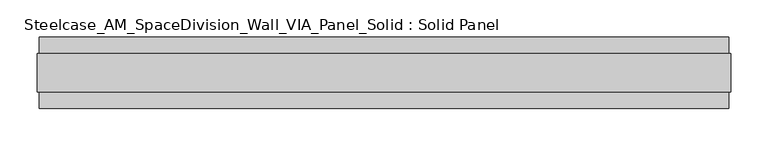
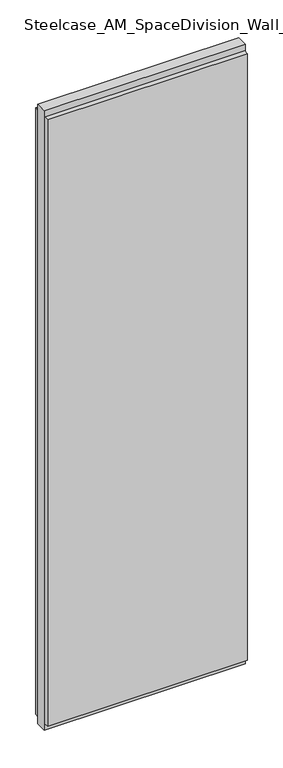
"""IFC4 building model written with IfcOpenShell, lengths in millimetres: plate geometry, Steelcase_AM_SpaceDivision_Wall_VIA_Panel_Solid : Solid Panel."""

from ifc_helpers import new_model, si_unit, frame, origin, origin_with_axes, place, context, project, spatial, polyline, outline, extrude, source, transform, mapped, element, save


def steelcase_am_spacedivision_wall_via_panel_solid_solid_panel_2c84acb8(model_context):
    return source(origin(), model_context, "Body", "SweptSolid", [
        extrude(outline(polyline([(464.9045897, -48.4531867), (-464.9045897, -48.4531867), (-464.9045897, -25.9961), (464.9045897, -25.9961), (464.9045897, -48.4531867)])), frame((0.0, 0.0, 32.004), z_axis=(0.0, 0.0, 1.0), x_axis=(1.0, 0.0, 0.0)), (0.0, 0.0, 1.0), 2983.992),
        extrude(outline(polyline([(464.9045897, 25.9977), (-464.9045897, 25.9977), (-464.9045897, 48.4547867), (464.9045897, 48.4547867), (464.9045897, 25.9977)])), frame((0.0, 0.0, 32.004), z_axis=(0.0, 0.0, 1.0), x_axis=(1.0, 0.0, 0.0)), (0.0, 0.0, 1.0), 2983.992),
        extrude(outline(polyline([(467.9017897, -25.9961), (-467.9017897, -25.9961), (-467.9017897, 25.9977), (467.9017897, 25.9977), (467.9017897, -25.9961)])), origin_with_axes(), (0.0, 0.0, 1.0), 3048.0),
    ])


if __name__ == "__main__":
    model = new_model("IFC4")
    model_context = context("Model", 3, world=origin())
    ifc_project = project(units=[si_unit("LENGTHUNIT", "METRE", prefix="MILLI")], contexts=[model_context])
    site = spatial("IfcSite", under=ifc_project)
    building = spatial("IfcBuilding", under=site)
    placement = place(None, origin())
    steelcase_am_spacedivision_wall_via_panel_solid_solid_panel_shape = steelcase_am_spacedivision_wall_via_panel_solid_solid_panel_2c84acb8(model_context)
    element("IfcPlate", 1, ObjectType="Steelcase_AM_SpaceDivision_Wall_VIA_Panel_Solid : Solid Panel", at=placement, inside=building, context=model_context, shape_type="MappedRepresentation", body=[
        mapped(steelcase_am_spacedivision_wall_via_panel_solid_solid_panel_shape, transform((0.0, 0.0, 0.0), x_axis=(1.0, 0.0, 0.0), y_axis=(0.0, 1.0, 0.0), z_axis=(0.0, 0.0, 1.0))),
    ])
    save(model, "model.ifc")
